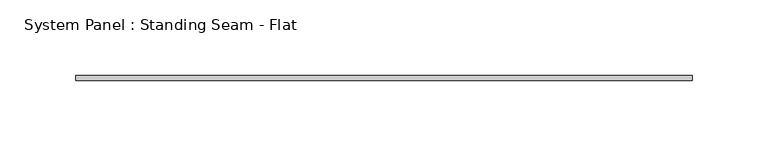
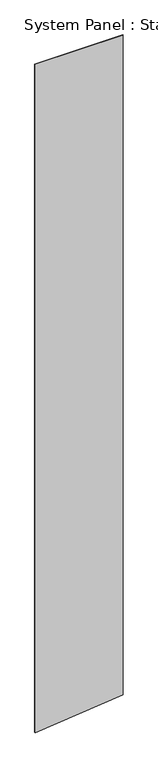
"""IFC4 building model written with IfcOpenShell, lengths in millimetres: plate geometry, System Panel : Standing Seam - Flat."""

from ifc_helpers import new_model, si_unit, frame, origin, place, context, project, spatial, polyline, outline, extrude, source, transform, mapped, element, save


def system_panel_standing_seam_flat_b315ee75(model_context):
    return source(origin(), model_context, "Body", "SweptSolid", [
        extrude(outline(polyline([(0.0, -203.2), (41.2973855, 203.2), (3259.6691567, 203.2), (3259.6691567, -203.2), (0.0, -203.2)])), frame((0.0, -1.5875, 0.0), z_axis=(0.0, 1.0, 0.0), x_axis=(0.0, 0.0, 1.0)), (0.0, 0.0, 1.0), 3.175),
    ])


if __name__ == "__main__":
    model = new_model("IFC4")
    model_context = context("Model", 3, world=origin())
    ifc_project = project(units=[si_unit("LENGTHUNIT", "METRE", prefix="MILLI")], contexts=[model_context])
    site = spatial("IfcSite", under=ifc_project)
    building = spatial("IfcBuilding", under=site)
    placement = place(None, origin())
    system_panel_standing_seam_flat_shape = system_panel_standing_seam_flat_b315ee75(model_context)
    element("IfcPlate", 1, ObjectType="System Panel : Standing Seam - Flat", at=placement, inside=building, context=model_context, shape_type="MappedRepresentation", body=[
        mapped(system_panel_standing_seam_flat_shape, transform((0.0, 0.0, 0.0), x_axis=(1.0, 0.0, 0.0), y_axis=(0.0, 1.0, 0.0), z_axis=(0.0, 0.0, 1.0))),
    ])
    save(model, "model.ifc")
